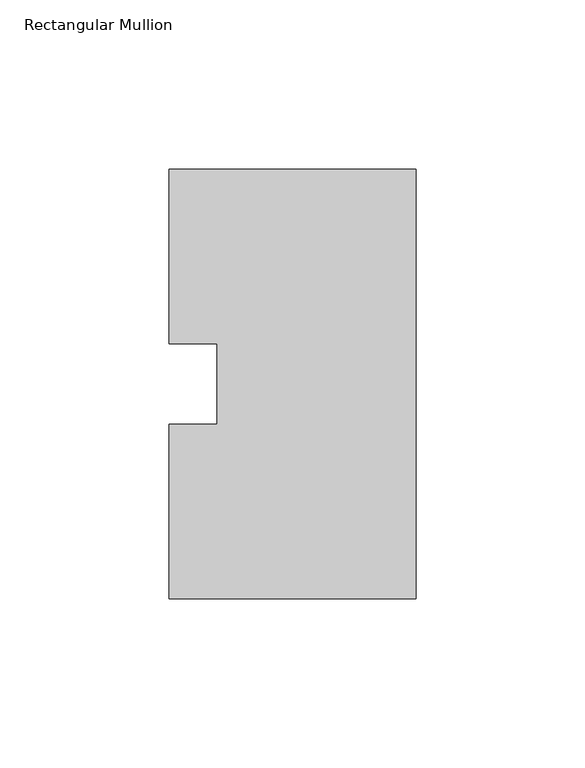
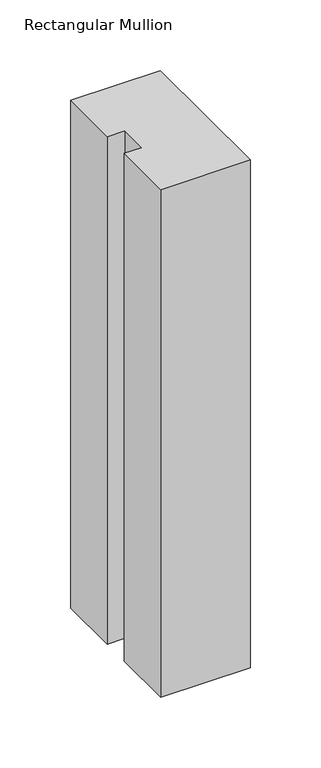
"""IFC4 building model written with IfcOpenShell, lengths in millimetres: member geometry, Rectangular Mullion."""

from ifc_helpers import new_model, si_unit, frame, origin, place, context, project, spatial, polyline, outline, extrude, source, transform, mapped, element, save


def rectangular_mullion_a2763f5b(model_context):
    return source(origin(), model_context, "Body", "SweptSolid", [
        extrude(outline(polyline([(0.0, 127.00635), (0.0, 0.00635), (-73.025, 0.00635), (-73.025, 51.60645), (-58.7375, 51.60645), (-58.7375, 75.40625), (-73.025, 75.40625), (-73.025, 127.00635), (0.0, 127.00635)])), frame((0.0, 0.0, -438.15), z_axis=(0.0, 0.0, 1.0), x_axis=(1.0, 0.0, 0.0)), (0.0, 0.0, 1.0), 438.15),
    ])


if __name__ == "__main__":
    model = new_model("IFC4")
    model_context = context("Model", 3, world=origin())
    ifc_project = project(units=[si_unit("LENGTHUNIT", "METRE", prefix="MILLI")], contexts=[model_context])
    site = spatial("IfcSite", under=ifc_project)
    building = spatial("IfcBuilding", under=site)
    placement = place(None, origin())
    rectangular_mullion_shape = rectangular_mullion_a2763f5b(model_context)
    element("IfcMember", 1, ObjectType="Rectangular Mullion", at=placement, inside=building, context=model_context, shape_type="MappedRepresentation", body=[
        mapped(rectangular_mullion_shape, transform((0.0, 0.0, 0.0), x_axis=(1.0, 0.0, 0.0), y_axis=(0.0, 1.0, 0.0), z_axis=(0.0, 0.0, 1.0))),
    ])
    save(model, "model.ifc")
